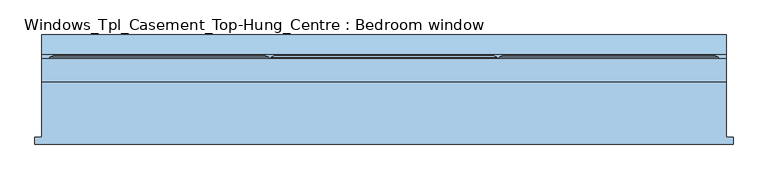
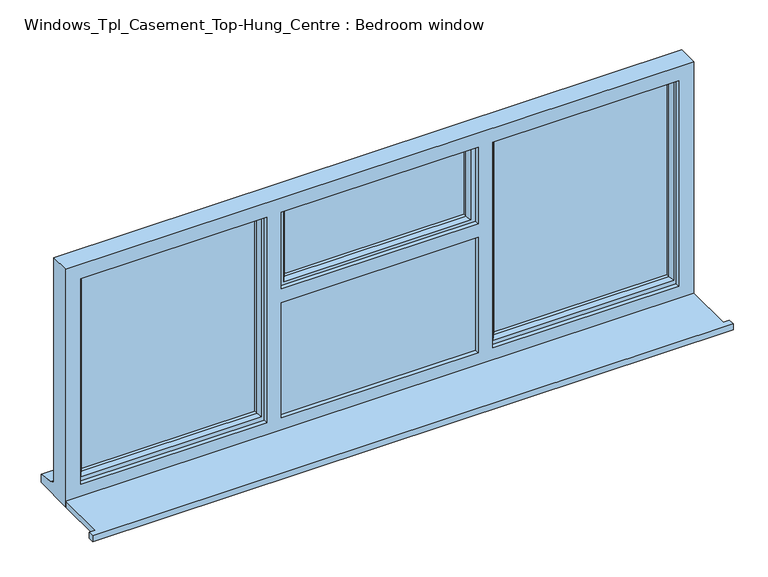
"""IFC4 building model written with IfcOpenShell, lengths in millimetres: window geometry, Windows_Tpl_Casement_Top-Hung_Centre : Bedroom window."""

from ifc_helpers import new_model, si_unit, frame, origin, place, context, project, spatial, polyline, outline, extrude, faceted_brep, source, transform, mapped, element, save


def windows_tpl_casement_top_hung_centre_bedroom_window_6b327e51(model_context):
    return source(origin(), model_context, "Body", "SolidModel", [
        extrude(outline(polyline([(-1966.6666667, -184.5434322), (-1966.6666667, -159.5434322), (-1941.6666667, -159.5434322), (-1941.6666667, 43.4565678), (558.3333333, 43.4565678), (558.3333333, -159.5434322), (583.3333333, -159.5434322), (583.3333333, -184.5434322), (-1966.6666667, -184.5434322)])), frame((0.0, 0.0, 1110.0), z_axis=(0.0, 0.0, 1.0), x_axis=(1.0, 0.0, 0.0)), (0.0, 0.0, 1.0), 25.0),
        faceted_brep([(-1091.7025527, 138.0035732, 1711.6307806), (-1103.3333333, 132.2300705, 1700.0), (-1103.3333333, 132.2300705, 2080.0), (-1091.7025527, 138.0035732, 2068.3692194), (-1053.3333333, 132.2300705, 1750.0), (-1072.147899, 138.0035732, 1731.1854344), (-1072.147899, 138.0035732, 2048.8145656), (-1053.3333333, 132.2300705, 2030.0), (-1053.3333333, 114.4565678, 1750.0), (-1053.3333333, 114.4565678, 2030.0), (-1063.3333333, 90.4565678, 1740.0), (-1063.3333333, 114.4565678, 1740.0), (-1063.3333333, 114.4565678, 2040.0), (-1063.3333333, 90.4565678, 2040.0), (-1053.3333333, 75.9494677, 1750.0), (-1053.3333333, 90.4565678, 1750.0), (-1053.3333333, 90.4565678, 2030.0), (-1053.3333333, 75.9494677, 2030.0), (-1063.4813711, 61.4565678, 1739.8519623), (-1063.4813711, 61.4565678, 2040.1480377), (-1093.3333333, 126.4565678, 1710.0), (-1093.3333333, 61.4565678, 1710.0), (-1093.3333333, 61.4565678, 2070.0), (-1093.3333333, 126.4565678, 2070.0), (-1103.3333333, 126.4565678, 1700.0), (-1103.3333333, 126.4565678, 2080.0), (-280.0, 132.2300705, 2080.0), (-291.6307806, 138.0035732, 2068.3692194), (-311.1854344, 138.0035732, 2048.8145656), (-330.0, 132.2300705, 2030.0), (-330.0, 114.4565678, 2030.0), (-320.0, 114.4565678, 2040.0), (-320.0, 90.4565678, 2040.0), (-330.0, 90.4565678, 2030.0), (-330.0, 75.9494677, 2030.0), (-319.8519623, 61.4565678, 2040.1480377), (-290.0, 61.4565678, 2070.0), (-290.0, 126.4565678, 2070.0), (-280.0, 126.4565678, 2080.0), (-280.0, 132.2300705, 1700.0), (-291.6307806, 138.0035732, 1711.6307806), (-311.1854344, 138.0035732, 1731.1854344), (-330.0, 132.2300705, 1750.0), (-330.0, 114.4565678, 1750.0), (-320.0, 114.4565678, 1740.0), (-320.0, 90.4565678, 1740.0), (-330.0, 90.4565678, 1750.0), (-330.0, 75.9494677, 1750.0), (-319.8519623, 61.4565678, 1739.8519623), (-290.0, 61.4565678, 1710.0), (-290.0, 126.4565678, 1710.0), (-280.0, 126.4565678, 1700.0)], [[[0, 1, 2, 3]], [[4, 5, 6, 7]], [[8, 4, 7, 9]], [[10, 11, 12, 13]], [[14, 15, 16, 17]], [[18, 14, 17, 19]], [[20, 21, 22, 23]], [[1, 24, 25, 2]], [[3, 2, 26, 27]], [[7, 6, 28, 29]], [[9, 7, 29, 30]], [[13, 12, 31, 32]], [[17, 16, 33, 34]], [[19, 17, 34, 35]], [[23, 22, 36, 37]], [[2, 25, 38, 26]], [[27, 26, 39, 40]], [[29, 28, 41, 42]], [[30, 29, 42, 43]], [[32, 31, 44, 45]], [[34, 33, 46, 47]], [[35, 34, 47, 48]], [[37, 36, 49, 50]], [[26, 38, 51, 39]], [[40, 39, 1, 0]], [[3, 27, 40, 0], [5, 41, 28, 6]], [[42, 41, 5, 4]], [[43, 42, 4, 8]], [[11, 44, 31, 12], [9, 30, 43, 8]], [[45, 44, 11, 10]], [[13, 32, 45, 10], [15, 46, 33, 16]], [[47, 46, 15, 14]], [[48, 47, 14, 18]], [[21, 49, 36, 22], [19, 35, 48, 18]], [[50, 49, 21, 20]], [[24, 51, 38, 25], [23, 37, 50, 20]], [[39, 51, 24, 1]]]),
        extrude(outline(polyline([(-1093.3333333, 85.4565678), (-290.0, 85.4565678), (-290.0, 61.4565678), (-1093.3333333, 61.4565678), (-1093.3333333, 85.4565678)])), frame((0.0, 0.0, 1173.0), z_axis=(0.0, 0.0, 1.0), x_axis=(1.0, 0.0, 0.0)), (0.0, 0.0, 1.0), 507.0),
        extrude(outline(polyline([(-1153.3333333, 90.4565678), (-1871.6666667, 90.4565678), (-1871.6666667, 114.4565678), (-1153.3333333, 114.4565678), (-1153.3333333, 90.4565678)])), frame((0.0, 0.0, 1203.0), z_axis=(0.0, 0.0, 1.0), x_axis=(1.0, 0.0, 0.0)), (0.0, 0.0, 1.0), 837.0),
        extrude(outline(polyline([(-319.8519623, 90.4565678), (-1063.3333333, 90.4565678), (-1063.3333333, 114.4565678), (-319.8519623, 114.4565678), (-319.8519623, 90.4565678)])), frame((0.0, 0.0, 1739.8519623), z_axis=(0.0, 0.0, 1.0), x_axis=(1.0, 0.0, 0.0)), (0.0, 0.0, 1.0), 300.1480377),
        extrude(outline(polyline([(488.3333333, 90.4565678), (-230.0, 90.4565678), (-230.0, 114.4565678), (488.3333333, 114.4565678), (488.3333333, 90.4565678)])), frame((0.0, 0.0, 1203.0), z_axis=(0.0, 0.0, 1.0), x_axis=(1.0, 0.0, 0.0)), (0.0, 0.0, 1.0), 837.0),
        faceted_brep([(558.3333333, 43.4565678, 2110.0), (-1941.6666667, 43.4565678, 2110.0), (-1941.6666667, 43.4565678, 1110.0), (558.3333333, 43.4565678, 1110.0), (-1083.3333333, 43.4565678, 1185.0), (-1083.3333333, 43.4565678, 1670.0), (-300.0, 43.4565678, 1670.0), (-300.0, 43.4565678, 1185.0), (-1083.3333333, 43.4565678, 2050.0), (-300.0, 43.4565678, 2050.0), (-300.0, 43.4565678, 1728.0), (-1083.3333333, 43.4565678, 1728.0), (-242.0, 43.4565678, 2050.0), (498.3333333, 43.4565678, 2050.0), (498.3333333, 43.4565678, 1185.0), (-242.0, 43.4565678, 1185.0), (-1881.6666667, 43.4565678, 2050.0), (-1141.3333333, 43.4565678, 2050.0), (-1141.3333333, 43.4565678, 1185.0), (-1881.6666667, 43.4565678, 1185.0), (-1941.6666667, 126.4565678, 2110.0), (-1941.6666667, 126.4565678, 1161.0), (-1941.6666667, 141.4565678, 1159.68767), (-1941.6666667, 141.4565678, 1154.7449676), (-1941.6666667, 213.9565678, 1143.8088847), (-1941.6666667, 213.9565678, 1110.0), (558.3333333, 126.4565678, 2110.0), (558.3333333, 126.4565678, 1161.0), (-1901.6666667, 126.4565678, 2070.0), (-1901.6666667, 126.4565678, 1173.0), (-1123.3333333, 126.4565678, 1173.0), (-1123.3333333, 126.4565678, 2070.0), (-300.0, 126.4565678, 1173.0), (-300.0, 126.4565678, 1670.0), (-1083.3333333, 126.4565678, 1670.0), (-1083.3333333, 126.4565678, 1173.0), (518.3333333, 126.4565678, 1173.0), (518.3333333, 126.4565678, 2070.0), (-1083.3333333, 126.4565678, 2070.0), (-1083.3333333, 126.4565678, 1710.0), (-300.0, 126.4565678, 1710.0), (-300.0, 126.4565678, 2050.0), (-260.0, 126.4565678, 2050.0), (-260.0, 126.4565678, 1173.0), (-1901.6666667, 61.4565678, 2070.0), (-1901.6666667, 61.4565678, 1173.0), (-1123.3333333, 61.4565678, 2070.0), (-1123.3333333, 61.4565678, 1173.0), (-1141.3333333, 61.4565678, 2050.0), (-1881.6666667, 61.4565678, 2050.0), (-1881.6666667, 61.4565678, 1185.0), (-1141.3333333, 61.4565678, 1185.0), (-1093.3333333, 61.4565678, 2070.0), (518.3333333, 61.4565678, 2070.0), (518.3333333, 61.4565678, 1173.0), (-260.0, 61.4565678, 1173.0), (-260.0, 61.4565678, 2050.0), (-290.0, 61.4565678, 2050.0), (-290.0, 61.4565678, 1710.0), (-1093.3333333, 61.4565678, 1710.0), (-1083.3333333, 61.4565678, 2050.0), (-1083.3333333, 61.4565678, 1728.0), (-300.0, 61.4565678, 1728.0), (-300.0, 61.4565678, 2050.0), (498.3333333, 61.4565678, 2050.0), (-242.0, 61.4565678, 2050.0), (-242.0, 61.4565678, 1185.0), (498.3333333, 61.4565678, 1185.0), (-290.0, 61.4565678, 1173.0), (-1093.3333333, 61.4565678, 1173.0), (-1093.3333333, 61.4565678, 1680.0), (-290.0, 61.4565678, 1680.0), (-1083.3333333, 61.4565678, 1185.0), (-300.0, 61.4565678, 1185.0), (-300.0, 61.4565678, 1670.0), (-1083.3333333, 61.4565678, 1670.0), (-1093.3333333, 85.4565678, 2070.0), (-1083.3333333, 85.4565678, 2070.0), (558.3333333, 213.9565678, 1110.0), (558.3333333, 213.9565678, 1143.8088847), (558.3333333, 141.4565678, 1154.7449676), (558.3333333, 141.4565678, 1159.68767), (-1083.3333333, 85.4565678, 1710.0), (-1083.3333333, 85.4565678, 1173.0), (-1083.3333333, 85.4565678, 1670.0), (-1093.3333333, 85.4565678, 1710.0), (-290.0, 85.4565678, 2050.0), (-300.0, 85.4565678, 2050.0), (-300.0, 85.4565678, 1710.0), (-290.0, 85.4565678, 1710.0), (-1093.3333333, 85.4565678, 1173.0), (-300.0, 85.4565678, 1670.0), (-300.0, 85.4565678, 1173.0), (-290.0, 85.4565678, 1173.0), (-290.0, 85.4565678, 1680.0), (-1093.3333333, 85.4565678, 1680.0)], [[[0, 1, 2, 3], [4, 5, 6, 7], [8, 9, 10, 11], [12, 13, 14, 15], [16, 17, 18, 19]], [[1, 20, 21, 22, 23, 24, 25, 2]], [[20, 26, 27, 21], [28, 29, 30, 31], [32, 33, 34, 35], [36, 37, 38, 39, 40, 41, 42, 43]], [[29, 28, 44, 45]], [[44, 46, 47, 45], [48, 49, 50, 51]], [[52, 53, 54, 55, 56, 57, 58, 59], [60, 61, 62, 63], [64, 65, 66, 67]], [[68, 69, 70, 71], [72, 73, 74, 75]], [[49, 16, 19, 50]], [[1, 0, 26, 20]], [[44, 28, 31, 46]], [[37, 53, 52, 76, 77, 38]], [[16, 49, 48, 17]], [[64, 13, 12, 65]], [[8, 60, 63, 9]], [[26, 0, 3, 78, 79, 80, 81, 27]], [[37, 36, 54, 53]], [[13, 64, 67, 14]], [[60, 8, 11, 61]], [[4, 72, 75, 5]], [[17, 48, 51, 18]], [[31, 30, 47, 46]], [[38, 77, 82, 39]], [[83, 35, 34, 84]], [[77, 76, 85, 82]], [[86, 87, 88, 89]], [[90, 83, 84, 91, 92, 93, 94, 95]], [[70, 69, 90, 95]], [[76, 52, 59, 85]], [[56, 42, 41, 87, 86, 57]], [[58, 57, 86, 89]], [[94, 93, 68, 71]], [[87, 41, 40, 88]], [[32, 92, 91, 33]], [[42, 56, 55, 43]], [[65, 12, 15, 66]], [[9, 63, 62, 10]], [[73, 7, 6, 74]], [[78, 3, 2, 25]], [[79, 78, 25, 24]], [[80, 79, 24, 23]], [[81, 80, 23, 22]], [[27, 81, 22, 21]], [[30, 29, 45, 47]], [[32, 35, 83, 90, 69, 68, 93, 92]], [[36, 43, 55, 54]], [[15, 14, 67, 66]], [[51, 50, 19, 18]], [[73, 72, 4, 7]], [[75, 74, 6, 5]], [[62, 61, 11, 10]], [[59, 58, 89, 88, 40, 39, 82, 85]], [[34, 33, 91, 84]], [[71, 70, 95, 94]]]),
        faceted_brep([(-1113.3333333, 126.4565678, 2080.0), (-1113.3333333, 132.2300705, 2080.0), (-1911.6666667, 132.2300705, 2080.0), (-1911.6666667, 126.4565678, 2080.0), (-1123.3333333, 61.4565678, 2070.0), (-1123.3333333, 126.4565678, 2070.0), (-1901.6666667, 126.4565678, 2070.0), (-1901.6666667, 61.4565678, 2070.0), (-1163.3333333, 75.9494677, 2030.0), (-1153.1852956, 61.4565678, 2040.1480377), (-1871.8147044, 61.4565678, 2040.1480377), (-1861.6666667, 75.9494677, 2030.0), (-1163.3333333, 90.4565678, 2030.0), (-1861.6666667, 90.4565678, 2030.0), (-1153.3333333, 114.4565678, 2040.0), (-1153.3333333, 90.4565678, 2040.0), (-1871.6666667, 90.4565678, 2040.0), (-1871.6666667, 114.4565678, 2040.0), (-1163.3333333, 132.2300705, 2030.0), (-1163.3333333, 114.4565678, 2030.0), (-1861.6666667, 114.4565678, 2030.0), (-1861.6666667, 132.2300705, 2030.0), (-1144.5187677, 138.0035732, 2048.8145656), (-1880.4812323, 138.0035732, 2048.8145656), (-1124.964114, 138.0035732, 2068.3692194), (-1900.035886, 138.0035732, 2068.3692194), (-1911.6666667, 132.2300705, 1163.0), (-1911.6666667, 126.4565678, 1163.0), (-1901.6666667, 126.4565678, 1173.0), (-1901.6666667, 61.4565678, 1173.0), (-1871.8147044, 61.4565678, 1202.8519623), (-1861.6666667, 75.9494677, 1213.0), (-1861.6666667, 90.4565678, 1213.0), (-1871.6666667, 90.4565678, 1203.0), (-1871.6666667, 114.4565678, 1203.0), (-1861.6666667, 114.4565678, 1213.0), (-1861.6666667, 132.2300705, 1213.0), (-1880.4812323, 138.0035732, 1194.1854344), (-1900.035886, 138.0035732, 1174.6307806), (-1113.3333333, 132.2300705, 1163.0), (-1113.3333333, 126.4565678, 1163.0), (-1123.3333333, 126.4565678, 1173.0), (-1123.3333333, 61.4565678, 1173.0), (-1153.1852956, 61.4565678, 1202.8519623), (-1163.3333333, 75.9494677, 1213.0), (-1163.3333333, 90.4565678, 1213.0), (-1153.3333333, 90.4565678, 1203.0), (-1153.3333333, 114.4565678, 1203.0), (-1163.3333333, 114.4565678, 1213.0), (-1163.3333333, 132.2300705, 1213.0), (-1144.5187677, 138.0035732, 1194.1854344), (-1124.964114, 138.0035732, 1174.6307806)], [[[0, 1, 2, 3]], [[4, 5, 6, 7]], [[8, 9, 10, 11]], [[12, 8, 11, 13]], [[14, 15, 16, 17]], [[18, 19, 20, 21]], [[22, 18, 21, 23]], [[1, 24, 25, 2]], [[3, 2, 26, 27]], [[7, 6, 28, 29]], [[11, 10, 30, 31]], [[13, 11, 31, 32]], [[17, 16, 33, 34]], [[21, 20, 35, 36]], [[23, 21, 36, 37]], [[2, 25, 38, 26]], [[27, 26, 39, 40]], [[0, 3, 27, 40], [41, 28, 6, 5]], [[29, 28, 41, 42]], [[4, 7, 29, 42], [43, 30, 10, 9]], [[31, 30, 43, 44]], [[32, 31, 44, 45]], [[46, 33, 16, 15], [12, 13, 32, 45]], [[34, 33, 46, 47]], [[14, 17, 34, 47], [48, 35, 20, 19]], [[36, 35, 48, 49]], [[37, 36, 49, 50]], [[51, 38, 25, 24], [22, 23, 37, 50]], [[26, 38, 51, 39]], [[40, 39, 1, 0]], [[42, 41, 5, 4]], [[44, 43, 9, 8]], [[45, 44, 8, 12]], [[47, 46, 15, 14]], [[49, 48, 19, 18]], [[50, 49, 18, 22]], [[39, 51, 24, 1]]]),
        faceted_brep([(-270.0, 126.4565678, 2080.0), (-270.0, 132.2300705, 2080.0), (-270.0, 132.2300705, 1163.0), (-270.0, 126.4565678, 1163.0), (-260.0, 61.4565678, 2070.0), (-260.0, 126.4565678, 2070.0), (-260.0, 126.4565678, 1173.0), (-260.0, 61.4565678, 1173.0), (-220.0, 75.9494677, 2030.0), (-230.1480377, 61.4565678, 2040.1480377), (-230.1480377, 61.4565678, 1202.8519623), (-220.0, 75.9494677, 1213.0), (-220.0, 90.4565678, 2030.0), (-220.0, 90.4565678, 1213.0), (-230.0, 114.4565678, 2040.0), (-230.0, 90.4565678, 2040.0), (-230.0, 90.4565678, 1203.0), (-230.0, 114.4565678, 1203.0), (-220.0, 132.2300705, 2030.0), (-220.0, 114.4565678, 2030.0), (-220.0, 114.4565678, 1213.0), (-220.0, 132.2300705, 1213.0), (-237.4457548, 138.0035732, 2047.4457548), (-237.4457548, 138.0035732, 1195.5542452), (-259.2153903, 138.0035732, 2069.2153903), (-259.2153903, 138.0035732, 1173.7846097), (528.3333333, 132.2300705, 1163.0), (528.3333333, 126.4565678, 1163.0), (518.3333333, 126.4565678, 1173.0), (518.3333333, 61.4565678, 1173.0), (488.4813711, 61.4565678, 1202.8519623), (478.3333333, 75.9494677, 1213.0), (478.3333333, 90.4565678, 1213.0), (488.3333333, 90.4565678, 1203.0), (488.3333333, 114.4565678, 1203.0), (478.3333333, 114.4565678, 1213.0), (478.3333333, 132.2300705, 1213.0), (495.7790881, 138.0035732, 1195.5542452), (517.5487236, 138.0035732, 1173.7846097), (528.3333333, 132.2300705, 2080.0), (528.3333333, 126.4565678, 2080.0), (518.3333333, 126.4565678, 2070.0), (518.3333333, 61.4565678, 2070.0), (488.4813711, 61.4565678, 2040.1480377), (478.3333333, 75.9494677, 2030.0), (478.3333333, 90.4565678, 2030.0), (488.3333333, 90.4565678, 2040.0), (488.3333333, 114.4565678, 2040.0), (478.3333333, 114.4565678, 2030.0), (478.3333333, 132.2300705, 2030.0), (495.7790881, 138.0035732, 2047.4457548), (517.5487236, 138.0035732, 2069.2153903)], [[[0, 1, 2, 3]], [[4, 5, 6, 7]], [[8, 9, 10, 11]], [[12, 8, 11, 13]], [[14, 15, 16, 17]], [[18, 19, 20, 21]], [[22, 18, 21, 23]], [[1, 24, 25, 2]], [[3, 2, 26, 27]], [[7, 6, 28, 29]], [[11, 10, 30, 31]], [[13, 11, 31, 32]], [[17, 16, 33, 34]], [[21, 20, 35, 36]], [[23, 21, 36, 37]], [[2, 25, 38, 26]], [[27, 26, 39, 40]], [[29, 28, 41, 42]], [[31, 30, 43, 44]], [[32, 31, 44, 45]], [[34, 33, 46, 47]], [[36, 35, 48, 49]], [[37, 36, 49, 50]], [[26, 38, 51, 39]], [[40, 39, 1, 0]], [[3, 27, 40, 0], [5, 41, 28, 6]], [[42, 41, 5, 4]], [[7, 29, 42, 4], [9, 43, 30, 10]], [[44, 43, 9, 8]], [[45, 44, 8, 12]], [[15, 46, 33, 16], [13, 32, 45, 12]], [[47, 46, 15, 14]], [[17, 34, 47, 14], [19, 48, 35, 20]], [[49, 48, 19, 18]], [[50, 49, 18, 22]], [[24, 51, 38, 25], [23, 37, 50, 22]], [[39, 51, 24, 1]]]),
    ])


if __name__ == "__main__":
    model = new_model("IFC4")
    model_context = context("Model", 3, world=origin())
    ifc_project = project(units=[si_unit("LENGTHUNIT", "METRE", prefix="MILLI")], contexts=[model_context])
    site = spatial("IfcSite", under=ifc_project)
    building = spatial("IfcBuilding", under=site)
    placement = place(None, origin())
    windows_tpl_casement_top_hung_centre_bedroom_window_shape = windows_tpl_casement_top_hung_centre_bedroom_window_6b327e51(model_context)
    element("IfcWindow", 1, ObjectType="Windows_Tpl_Casement_Top-Hung_Centre : Bedroom window", at=placement, inside=building, context=model_context, shape_type="MappedRepresentation", body=[
        mapped(windows_tpl_casement_top_hung_centre_bedroom_window_shape, transform((0.0, 0.0, 0.0), x_axis=(1.0, 0.0, 0.0), y_axis=(0.0, 1.0, 0.0), z_axis=(0.0, 0.0, 1.0))),
    ])
    save(model, "model.ifc")
